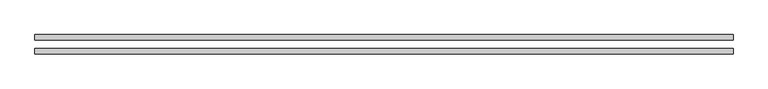
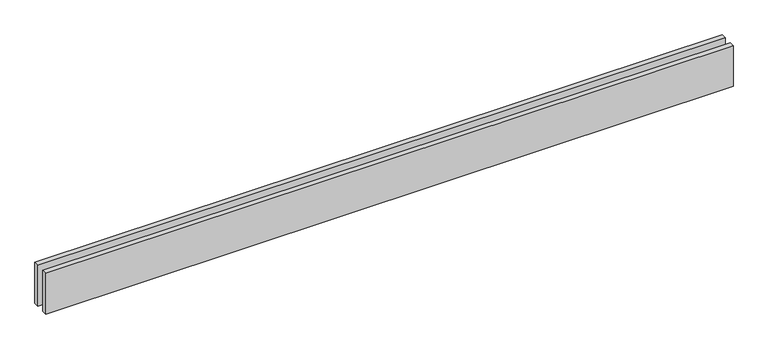
"""IFC4 building model written with IfcOpenShell, lengths in millimetres: proxy geometry."""

from ifc_helpers import new_model, si_unit, origin, origin_with_axes, place, context, project, spatial, polyline, outline, extrude, source, transform, mapped, element, save


def generic_models_8bd78198(model_context):
    return source(origin(), model_context, "Body", "SweptSolid", [
        extrude(outline(polyline([(3996.0981372, -25.0), (3996.0981372, -55.0), (0.0, -55.0), (0.0, -25.0), (3996.0981372, -25.0)])), origin_with_axes(), (0.0, 0.0, 1.0), 250.0),
        extrude(outline(polyline([(3996.0981372, 55.0), (3996.0981372, 25.0), (0.0, 25.0), (0.0, 55.0), (3996.0981372, 55.0)])), origin_with_axes(), (0.0, 0.0, 1.0), 250.0),
    ])


if __name__ == "__main__":
    model = new_model("IFC4")
    model_context = context("Model", 3, world=origin())
    ifc_project = project(units=[si_unit("LENGTHUNIT", "METRE", prefix="MILLI")], contexts=[model_context])
    site = spatial("IfcSite", under=ifc_project)
    building = spatial("IfcBuilding", under=site)
    placement = place(None, origin())
    generic_models_shape = generic_models_8bd78198(model_context)
    element("IfcBuildingElementProxy", 1, Name="Generic Models", at=placement, inside=building, context=model_context, shape_type="MappedRepresentation", body=[
        mapped(generic_models_shape, transform((0.0, 0.0, 0.0), x_axis=(1.0, 0.0, 0.0), y_axis=(0.0, 1.0, 0.0), z_axis=(0.0, 0.0, 1.0))),
    ])
    save(model, "model.ifc")
